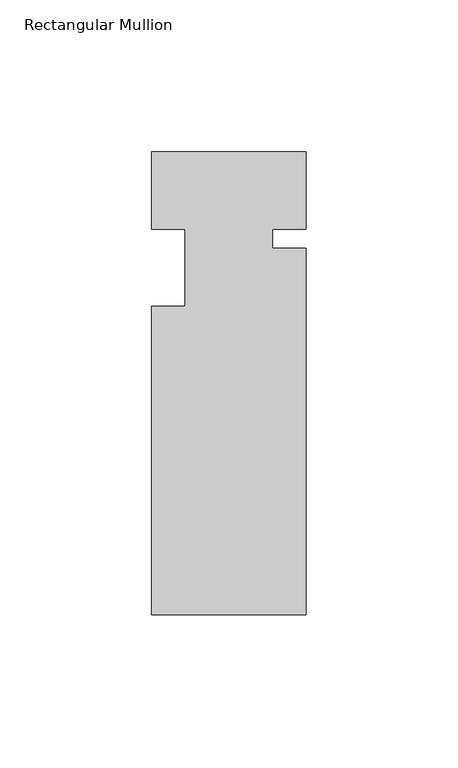
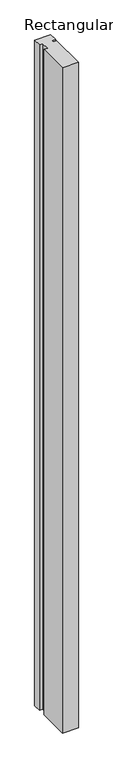
"""IFC4 building model written with IfcOpenShell, lengths in millimetres: member geometry, Rectangular Mullion."""

from ifc_helpers import new_model, si_unit, frame, origin, place, context, project, spatial, polyline, outline, extrude, source, transform, mapped, element, save


def rectangular_mullion_193b0193(model_context):
    return source(origin(), model_context, "Body", "SweptSolid", [
        extrude(outline(polyline([(25.4, -25.4), (14.3002, -25.4), (14.3002, -31.75), (25.4, -31.75), (25.4, -152.4), (-25.4, -152.4), (-25.4, -50.8), (-14.398625, -50.8), (-14.398625, -25.4), (-25.4, -25.4), (-25.4, 0.0), (25.4, 0.0), (25.4, -25.4)])), frame((0.0, 0.0, -2235.199416), z_axis=(0.0, 0.0, 1.0), x_axis=(1.0, 0.0, 0.0)), (0.0, 0.0, 1.0), 2235.199416),
    ])


if __name__ == "__main__":
    model = new_model("IFC4")
    model_context = context("Model", 3, world=origin())
    ifc_project = project(units=[si_unit("LENGTHUNIT", "METRE", prefix="MILLI")], contexts=[model_context])
    site = spatial("IfcSite", under=ifc_project)
    building = spatial("IfcBuilding", under=site)
    placement = place(None, origin())
    rectangular_mullion_shape = rectangular_mullion_193b0193(model_context)
    element("IfcMember", 1, ObjectType="Rectangular Mullion", at=placement, inside=building, context=model_context, shape_type="MappedRepresentation", body=[
        mapped(rectangular_mullion_shape, transform((0.0, 0.0, 0.0), x_axis=(1.0, 0.0, 0.0), y_axis=(0.0, 1.0, 0.0), z_axis=(0.0, 0.0, 1.0))),
    ])
    save(model, "model.ifc")
